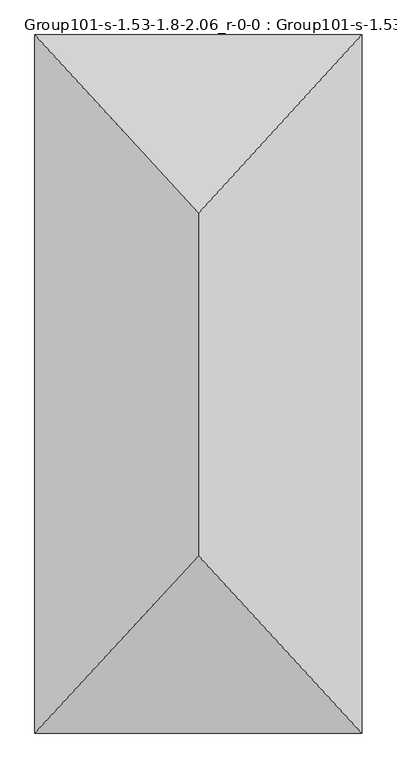
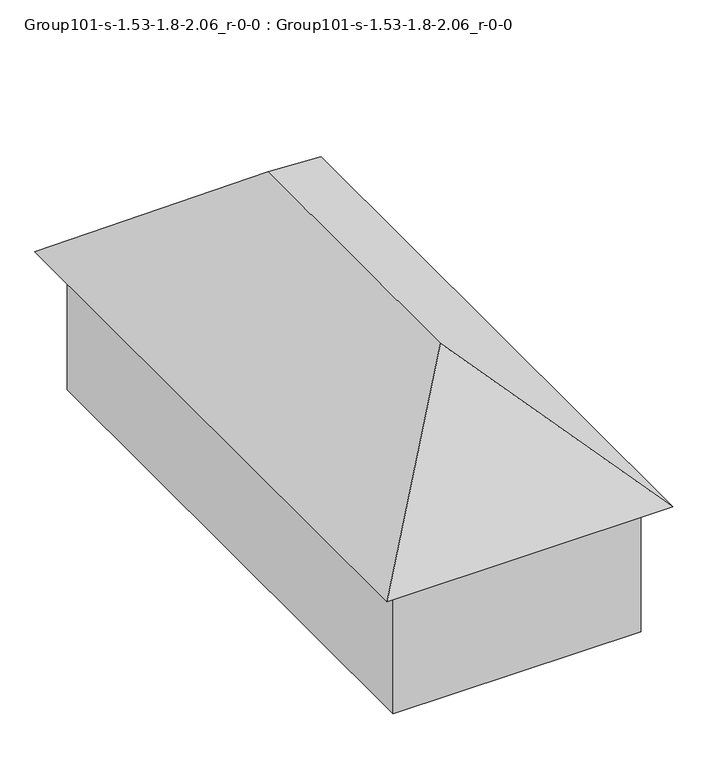
"""IFC4 building model written with IfcOpenShell, lengths in millimetres: geographic element geometry, Group101-s-1.53-1.8-2.06_r-0-0 : Group101-s-1.53-1.8-2.06_r-0-0."""

from ifc_helpers import new_model, si_unit, origin, place, context, project, spatial, triangles, source, transform, mapped, element, save


def group101_s_1_53_1_8_2_06_r_0_0_group101_s_1_53_1_8_2_06_r_0_a9cb9f04(model_context):
    return source(origin(), model_context, "Body", "Tessellation", [
        triangles([(9065.9698792, 19961.3001892, 4717.5675682), (652.6682287, 19961.3001892, 0.0), (652.6682287, 19961.3001892, 4717.5675682), (9065.9698792, 19961.3001892, 0.0), (9065.9698792, 770.1485579, 0.0), (652.6682287, 770.1485579, 4717.5675682), (652.6682287, 770.1485579, 0.0), (9065.9698792, 770.1485579, 4717.5675682), (4859.3190903, 15428.6547638, 9100.1329102), (9718.6381805, 20731.4485291, 4717.5675682), (0.0, 20731.4485291, 4717.5675682), (9718.6381805, 0.0, 4717.5675682), (4859.3190903, 5268.698172, 9100.1329102), (0.0, 0.0, 4717.5675682)], [[1, 2, 3], [2, 1, 4], [5, 6, 7], [6, 5, 8], [5, 2, 4], [2, 5, 7], [6, 2, 7], [2, 6, 3], [1, 5, 4], [5, 1, 8], [6, 1, 3], [1, 6, 8], [9, 10, 11], [12, 13, 14], [12, 11, 10], [11, 12, 14], [14, 9, 11], [9, 14, 13], [9, 12, 10], [12, 9, 13]]),
    ])


if __name__ == "__main__":
    model = new_model("IFC4")
    model_context = context("Model", 3, world=origin())
    ifc_project = project(units=[si_unit("LENGTHUNIT", "METRE", prefix="MILLI")], contexts=[model_context])
    site = spatial("IfcSite", under=ifc_project)
    building = spatial("IfcBuilding", under=site)
    placement = place(None, origin())
    group101_s_1_53_1_8_2_06_r_0_0_group101_s_1_53_1_8_2_06_r_0_shape = group101_s_1_53_1_8_2_06_r_0_0_group101_s_1_53_1_8_2_06_r_0_a9cb9f04(model_context)
    element("IfcGeographicElement", 1, ObjectType="Group101-s-1.53-1.8-2.06_r-0-0 : Group101-s-1.53-1.8-2.06_r-0-0", at=placement, inside=building, context=model_context, shape_type="MappedRepresentation", body=[
        mapped(group101_s_1_53_1_8_2_06_r_0_0_group101_s_1_53_1_8_2_06_r_0_shape, transform((0.0, 0.0, 0.0), x_axis=(1.0, 0.0, 0.0), y_axis=(0.0, 1.0, 0.0), z_axis=(0.0, 0.0, 1.0))),
    ])
    save(model, "model.ifc")
